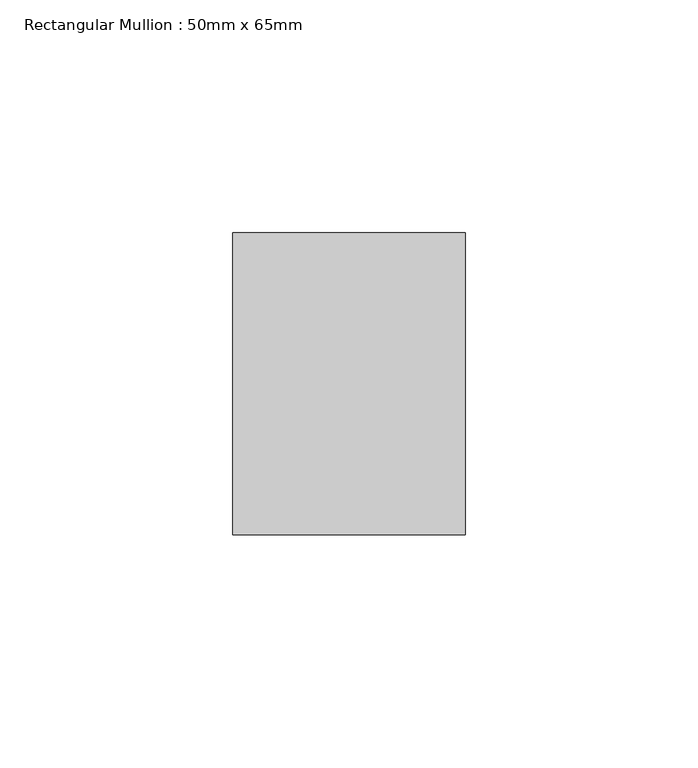
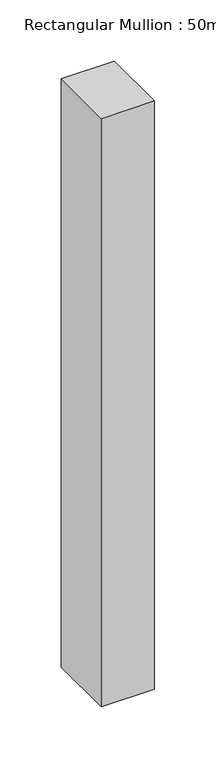
"""IFC4 building model written with IfcOpenShell, lengths in millimetres: member geometry, Rectangular Mullion : 50mm x 65mm."""

from ifc_helpers import new_model, si_unit, frame, origin, place, context, project, spatial, polyline, outline, extrude, source, transform, mapped, element, save


def rectangular_mullion_50mm_x_65mm_58c21aeb(model_context):
    return source(origin(), model_context, "Body", "SweptSolid", [
        extrude(outline(polyline([(25.0, 32.5), (25.0, -32.5), (-25.0, -32.5), (-25.0, 32.5), (25.0, 32.5)])), frame((0.0, 0.0, -585.2035106), z_axis=(0.0, 0.0, 1.0), x_axis=(1.0, 0.0, 0.0)), (0.0, 0.0, 1.0), 585.2035106),
    ])


if __name__ == "__main__":
    model = new_model("IFC4")
    model_context = context("Model", 3, world=origin())
    ifc_project = project(units=[si_unit("LENGTHUNIT", "METRE", prefix="MILLI")], contexts=[model_context])
    site = spatial("IfcSite", under=ifc_project)
    building = spatial("IfcBuilding", under=site)
    placement = place(None, origin())
    rectangular_mullion_50mm_x_65mm_shape = rectangular_mullion_50mm_x_65mm_58c21aeb(model_context)
    element("IfcMember", 1, ObjectType="Rectangular Mullion : 50mm x 65mm", at=placement, inside=building, context=model_context, shape_type="MappedRepresentation", body=[
        mapped(rectangular_mullion_50mm_x_65mm_shape, transform((0.0, 0.0, 0.0), x_axis=(1.0, 0.0, 0.0), y_axis=(0.0, 1.0, 0.0), z_axis=(0.0, 0.0, 1.0))),
    ])
    save(model, "model.ifc")
